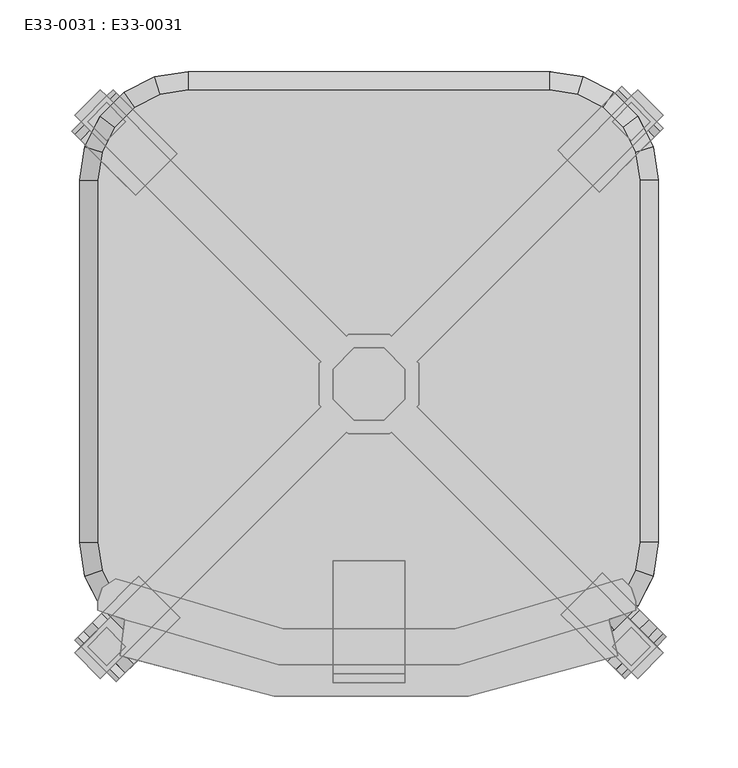
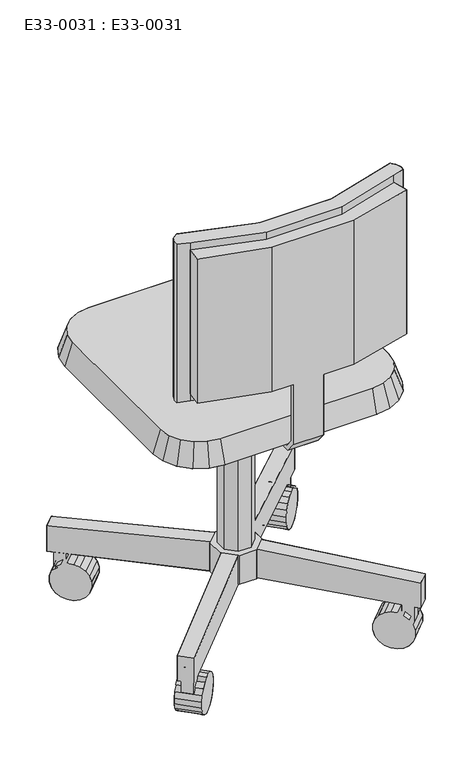
"""IFC4 building model written with IfcOpenShell, lengths in millimetres: furniture geometry, E33-0031 : E33-0031."""

from ifc_helpers import new_model, si_unit, origin, place, context, project, spatial, triangles, source, transform, mapped, element, save


def e33_0031_e33_0031_1ee9b4db(model_context):
    return source(origin(), model_context, "Body", "Tessellation", [
        triangles([(10.4864125, -25.3164598, 132.012409), (-10.4864171, -25.3164598, 132.012409), (-10.4864171, -25.3164598, 423.1516422), (10.4864125, -25.3164598, 423.1516422), (-25.316453, -10.4864239, 132.012409), (-25.316453, -10.4864239, 423.1516422), (-25.316453, 10.4864148, 132.012409), (-25.316453, 10.4864148, 423.1516422), (-10.4864171, 25.3164507, 132.012409), (-10.4864171, 25.3164507, 423.1516422), (10.4864125, 25.3164507, 132.012409), (10.4864125, 25.3164507, 423.1516422), (25.3164484, 10.4864148, 132.012409), (25.3164484, 10.4864148, 423.1516422), (25.3164484, -10.4864239, 132.012409), (25.3164484, -10.4864239, 423.1516422), (205.8665266, -187.9650961, 71.8858238), (187.9650885, -205.8665312, 71.8858238), (187.9650885, -205.8665312, 116.1896194), (205.8665266, -187.9650961, 116.1896194), (187.9650885, 205.866513, 71.8858238), (205.8665266, 187.9650984, 71.8858238), (187.9650885, 205.866513, 116.1896194), (205.8665266, 187.9650984, 116.1896194), (14.4188215, 34.81013, 81.3794985), (15.6637491, 33.5652023, 81.3794985), (14.4188215, 34.81013, 132.012409), (15.6637491, 33.5652023, 132.012409), (34.8101186, 14.4188237, 81.3794985), (34.8101186, -14.4188237, 81.3794985), (34.8101186, 14.4188237, 132.012409), (34.8101186, -14.4188237, 132.012409), (33.565191, -15.6637605, 81.3794985), (33.565191, -15.6637605, 132.012409), (15.6637491, -33.5651932, 81.3794985), (14.4188215, -34.81013, 81.3794985), (14.4188215, -34.81013, 132.012409), (15.6637491, -33.5651932, 132.012409), (33.565191, 15.6637514, 81.3794985), (33.565191, 15.6637514, 132.012409), (-205.8665334, 187.9650984, 71.8858238), (-187.9650825, 205.866513, 71.8858238), (-205.8665334, 187.9650984, 116.1896194), (-187.9650825, 205.866513, 116.1896194), (-187.9650825, -205.8665312, 71.8858238), (-205.8665334, -187.9650961, 71.8858238), (-205.8665334, -187.9650961, 116.1896194), (-187.9650825, -205.8665312, 116.1896194), (-14.418826, -34.81013, 81.3794985), (-15.6637718, -33.5651932, 81.3794985), (-15.6637718, -33.5651932, 132.012409), (-14.418826, -34.81013, 132.012409), (-34.8101322, -14.4188237, 81.3794985), (-34.8101322, 14.4188237, 81.3794985), (-34.8101322, 14.4188237, 132.012409), (-34.8101322, -14.4188237, 132.012409), (-33.5652046, 15.6637514, 81.3794985), (-33.5652046, 15.6637514, 132.012409), (-15.6637718, 33.5652023, 81.3794985), (-14.418826, 34.81013, 81.3794985), (-15.6637718, 33.5652023, 132.012409), (-14.418826, 34.81013, 132.012409), (-33.5652046, -15.6637605, 81.3794985), (-33.5652046, -15.6637605, 132.012409), (208.1042057, -176.7766973, 25.7344189), (205.9138098, -174.5863002, 16.2007133), (176.8239731, -203.6761352, 16.2007133), (179.0143695, -205.8665312, 25.7344189), (165.5410084, -134.2134988, 16.2007133), (163.3506125, -132.0231029, 25.7344189), (134.2607752, -161.1129391, 25.7344189), (136.4511711, -163.3033358, 16.2007133), (176.7766899, 208.1042034, 25.7344189), (174.5862934, 205.9138211, 16.2007133), (203.6761284, 176.8239907, 16.2007133), (205.8665266, 179.0143729, 25.7344189), (134.2134943, 165.5409948, 16.2007133), (132.0230983, 163.3506125, 25.7344189), (161.1129311, 134.260782, 25.7344189), (163.3033293, 136.4511824, 16.2007133), (160.1817084, -187.0338712, 62.3921537), (160.1817084, -187.0338712, -0.8989843), (153.0934374, -179.9456002, -0.8989843), (146.3520884, -173.2042511, 2.1987046), (166.9230575, -193.7752202, 2.1987046), (172.6575912, -199.5097517, 8.090859), (189.2715452, -157.9440364, 62.3921537), (189.2715452, -157.9440364, -0.8989843), (182.1832723, -150.8557634, -0.8989843), (175.441924, -144.1144149, 2.1987046), (169.7073908, -138.3798824, 8.090859), (163.3506125, -132.0231029, 35.7587503), (196.0128936, -164.6853846, 2.1987046), (201.7474262, -170.4199178, 8.090859), (157.9440293, 189.2715594, 62.3921537), (157.9440293, 189.2715594, -0.8989843), (150.8557561, 182.1832929, -0.8989843), (144.114407, 175.4419166, 2.1987046), (138.3798733, 169.7073829, 8.090859), (132.0230983, 163.3506125, 35.7587503), (170.4199109, 201.747433, 8.090859), (164.6853784, 196.0128993, 2.1987046), (187.0338655, 160.1817289, 62.3921537), (187.0338655, 160.1817289, -0.8989843), (179.9455925, 153.0934261, -0.8989843), (173.2042443, 146.3520861, 2.1987046), (167.4697117, 140.6175524, 8.090859), (161.1129311, 134.260782, 35.7587503), (199.5097471, 172.6576025, 8.090859), (193.7752134, 166.9230688, 2.1987046), (140.6175547, -167.469718, 8.090859), (134.2607752, -161.1129391, 35.7587503), (-176.7767029, -208.1042125, 25.7344189), (-174.5863206, -205.9138166, 16.2007133), (-205.8665334, -179.0143775, 25.7344189), (-203.6761511, -176.8239793, 16.2007133), (-134.2134943, -165.5410152, 16.2007133), (-132.023112, -163.3506187, 25.7344189), (-163.3033248, -136.4511802, 16.2007133), (-161.1129425, -134.260782, 25.7344189), (-208.1042239, 176.7766825, 25.7344189), (-205.9138053, 174.5863002, 16.2007133), (-176.8239748, 203.6761307, 16.2007133), (-179.0143934, 205.866513, 25.7344189), (-165.5410152, 134.213492, 16.2007133), (-163.3506329, 132.0230915, 25.7344189), (-134.2608024, 161.112922, 25.7344189), (-136.4511847, 163.3033406, 16.2007133), (-189.2715435, 157.9440384, 62.3921537), (-189.2715435, 157.9440384, -0.8989843), (-182.183277, 150.8557719, -0.8989843), (-175.441937, 144.1144138, 2.1987046), (-163.3506329, 132.0230915, 35.7587503), (-196.0129198, 164.6853784, 2.1987046), (-201.7474535, 170.4199121, 8.090859), (-160.181713, 187.0338689, 62.3921537), (-160.181713, 187.0338689, -0.8989843), (-153.0934465, 179.9456024, -0.8989843), (-146.3521065, 173.2042625, 2.1987046), (-140.6175728, 167.4697288, 8.090859), (-134.2608024, 161.112922, 35.7587503), (-166.9230529, 193.7752089, 2.1987046), (-172.6575866, 199.5097426, 8.090859), (-187.0338893, -160.1817161, 62.3921537), (-187.0338893, -160.1817161, -0.8989843), (-179.9455865, -153.0934431, -0.8989843), (-173.2042466, -146.3520952, 2.1987046), (-167.4697129, -140.6175615, 8.090859), (-161.1129425, -134.260782, 35.7587503), (-193.7752293, -166.9230643, 2.1987046), (-199.509763, -172.6575968, 8.090859), (-157.9440225, -189.2715525, 62.3921537), (-157.9440225, -189.2715525, -0.8989843), (-150.8557561, -182.1832793, -0.8989843), (-144.1144161, -175.4419313, 2.1987046), (-138.3798824, -169.7073977, 8.090859), (-132.023112, -163.3506187, 35.7587503), (-164.6853988, -196.0128993, 2.1987046), (-170.4199325, -201.747433, 8.090859), (-169.7074033, 138.3798801, 8.090859), (183.4897291, 170.0636475, 72.9954763), (183.4897291, 170.0636475, 60.9360244), (170.0636509, 183.4897175, 60.9360244), (170.0636509, 183.4897175, 72.9954763), (174.5862934, 205.9138211, 45.2924571), (176.7766899, 208.1042034, 35.7587503), (203.6761284, 176.8239907, 45.2924571), (205.8665266, 179.0143729, 35.7587503), (134.2134943, 165.5409948, 45.2924571), (138.3798733, 169.7073829, 53.4023136), (144.114407, 175.4419166, 59.2944639), (150.8557561, 182.1832929, 62.3921537), (196.9158068, 183.4897175, 72.2557095), (196.9158068, 183.4897175, 45.3844936), (179.9455925, 153.0934261, 62.3921537), (173.2042443, 146.3520861, 59.2944639), (-170.0636679, 183.4897175, 72.9954763), (-170.0636679, 183.4897175, 60.9360244), (-183.4897379, 170.0636475, 60.9360244), (-183.4897379, 170.0636475, 72.9954763), (-205.9138053, 174.5863002, 45.2924571), (-208.1042239, 176.7766825, 35.7587503), (-179.0143934, 205.866513, 35.7587503), (-176.8239748, 203.6761307, 45.2924571), (-140.6175728, 167.4697288, 53.4023136), (-146.3521065, 173.2042625, 59.2944639), (-153.0934465, 179.9456024, 62.3921537), (-196.915808, 183.4897175, 72.2557095), (-196.915808, 183.4897175, 45.3844936), (-136.4511847, 163.3033406, 45.2924571), (-182.183277, 150.8557719, 62.3921537), (183.4897291, 196.9158239, 72.2557095), (183.4897291, 196.9158239, 45.3844936), (173.6360959, 187.0621739, 59.2944639), (164.6853784, 196.0128993, 59.2944639), (170.4199109, 201.747433, 53.4023136), (179.3706296, 192.7967076, 53.4023136), (-183.4897379, 196.9158239, 45.3844936), (-183.4897379, 196.9158239, 72.2557095), (-173.6361243, 187.0621739, 59.2944639), (-179.370658, 192.7967076, 53.4023136), (-172.6575866, 199.5097426, 53.4023136), (-166.9230529, 193.7752089, 59.2944639), (196.9158068, -183.4897357, 72.2557095), (196.9158068, -183.4897357, 45.3844936), (183.4897291, -196.9158148, 45.3844936), (183.4897291, -196.9158148, 72.2557095), (169.7073908, -138.3798824, 53.4023136), (175.441924, -144.1144149, 59.2944639), (146.3520884, -173.2042511, 59.2944639), (140.6175547, -167.469718, 53.4023136), (173.6360959, -187.0621807, 59.2944639), (179.3706296, -192.7967144, 53.4023136), (166.9230575, -193.7752202, 59.2944639), (172.6575912, -199.5097517, 53.4023136), (187.0621747, -173.6361027, 59.2944639), (196.0128936, -164.6853846, 59.2944639), (201.7474262, -170.4199178, 53.4023136), (192.7967076, -179.3706375, 53.4023136), (136.4511711, -163.3033358, 45.2924571), (153.0934374, -179.9456002, 62.3921537), (165.5410084, -134.2134988, 45.2924571), (182.1832723, -150.8557634, 62.3921537), (183.4897291, -170.0636577, 72.9954763), (183.4897291, -170.0636577, 60.9360244), (170.0636509, -183.4897357, 72.9954763), (170.0636509, -183.4897357, 60.9360244), (187.0621747, 173.6361038, 59.2944639), (192.7967076, 179.3706375, 53.4023136), (193.7752134, 166.9230688, 59.2944639), (199.5097471, 172.6576025, 53.4023136), (167.4697117, 140.6175524, 53.4023136), (163.3033293, 136.4511824, 45.2924571), (176.8239731, -203.6761352, 45.2924571), (179.0143695, -205.8665312, 35.7587503), (205.9138098, -174.5863002, 45.2924571), (208.1042057, -176.7766973, 35.7587503), (-183.4897379, -196.9158148, 72.2557095), (-183.4897379, -196.9158148, 45.3844936), (-196.915808, -183.4897357, 45.3844936), (-196.915808, -183.4897357, 72.2557095), (-138.3798824, -169.7073977, 53.4023136), (-144.1144161, -175.4419313, 59.2944639), (-173.2042466, -146.3520952, 59.2944639), (-167.4697129, -140.6175615, 53.4023136), (-187.0621943, -173.6361027, 59.2944639), (-192.796728, -179.3706375, 53.4023136), (-199.509763, -172.6575968, 53.4023136), (-193.7752293, -166.9230643, 59.2944639), (-173.6361243, -187.0621807, 59.2944639), (-164.6853988, -196.0128993, 59.2944639), (-179.370658, -192.7967144, 53.4023136), (-170.4199325, -201.747433, 53.4023136), (-163.3033248, -136.4511802, 45.2924571), (-179.9455865, -153.0934431, 62.3921537), (-134.2134943, -165.5410152, 45.2924571), (-150.8557561, -182.1832793, 62.3921537), (-183.4897379, -170.0636577, 72.9954763), (-183.4897379, -170.0636577, 60.9360244), (-170.0636679, -183.4897357, 72.9954763), (-170.0636679, -183.4897357, 60.9360244), (-187.0621943, 173.6361038, 59.2944639), (-196.0129198, 164.6853784, 59.2944639), (-201.7474535, 170.4199121, 53.4023136), (-192.796728, 179.3706375, 53.4023136), (-169.7074033, 138.3798801, 53.4023136), (-175.441937, 144.1144138, 59.2944639), (-165.5410152, 134.213492, 45.2924571), (-205.8665334, -179.0143775, 35.7587503), (-203.6761511, -176.8239793, 45.2924571), (-176.7767029, -208.1042125, 35.7587503), (-174.5863206, -205.9138166, 45.2924571), (-63.2911518, -196.2025339, 802.8984484), (-170.8860741, -164.5569637, 802.8984484), (-63.2911518, -196.2025339, 549.7339231), (-170.8860741, -164.5569637, 549.7339231), (-174.0506339, -189.873419, 802.8984484), (-174.0506339, -189.873419, 549.7339231), (-66.4556933, -218.3544317, 802.8984484), (-66.4556933, -218.3544317, 549.7339231), (69.6202486, -218.3544317, 802.8984484), (69.6202486, -218.3544317, 549.7339231), (174.0506282, -189.873419, 802.8984484), (174.0506282, -189.873419, 549.7339231), (167.7215132, -164.5569637, 802.8984484), (167.7215132, -164.5569637, 549.7339231), (63.2911381, -196.2025339, 802.8984484), (63.2911381, -196.2025339, 549.7339231), (-60.126592, -170.8860775, 815.5566874), (-177.2151936, -136.075951, 815.5566874), (-60.126592, -170.8860775, 537.0756841), (-177.2151936, -136.075951, 537.0756841), (-186.7088728, -142.4050648, 815.5566874), (-186.7088728, -142.4050648, 537.0756841), (-189.8734326, -151.8987355, 815.5566874), (-189.8734326, -151.8987355, 537.0756841), (-189.8734326, -158.2278496, 815.5566874), (-189.8734326, -158.2278496, 537.0756841), (186.7088555, -158.2278496, 815.5566874), (186.7088555, -151.8987355, 815.5566874), (186.7088555, -151.8987355, 537.0756841), (186.7088555, -158.2278496, 537.0756841), (183.5442985, -142.4050648, 815.5566874), (183.5442985, -142.4050648, 537.0756841), (177.2151845, -136.075951, 815.5566874), (177.2151845, -136.075951, 537.0756841), (60.1265784, -170.8860775, 815.5566874), (60.1265784, -170.8860775, 537.0756841), (167.7215132, -164.5569637, 815.5566874), (167.7215132, -164.5569637, 537.0756841), (-170.8860741, -164.5569637, 815.5566874), (-170.8860741, -164.5569637, 537.0756841), (25.3164484, -202.5316466, 549.7339231), (25.3164484, -208.8607615, 549.7339231), (25.3164484, -208.8607615, 435.8098812), (25.3164484, -202.5316466, 438.974441), (-25.316453, -208.8607615, 549.7339231), (-25.316453, -202.5316466, 549.7339231), (-25.316453, -202.5316466, 438.974441), (-25.316453, -208.8607615, 435.8098812), (126.582274, -174.0506339, 461.1263228), (146.1403099, -170.9529453, 461.1263228), (150.0519193, -182.9916352, 423.1516422), (126.582274, -186.7088615, 423.1516422), (163.7838709, -161.9631023, 461.1263228), (171.2241917, -172.2038239, 423.1516422), (177.7858806, -147.9610938, 461.1263228), (188.0266019, -155.4014131, 423.1516422), (186.7757236, -130.3175338, 461.1263228), (198.8144135, -134.229141, 423.1516422), (189.8734122, -110.7594957, 461.1263228), (202.5316398, -110.7594957, 423.1516422), (189.8734122, 142.4050705, 461.1263228), (202.5316398, 142.4050705, 423.1516422), (186.7757236, 161.9630882, 461.1263228), (198.8144135, 165.8746953, 423.1516422), (177.7858806, 179.6066696, 461.1263228), (188.0266019, 187.0469858, 423.1516422), (163.7838709, 193.6086856, 461.1263228), (171.2241917, 203.8493759, 423.1516422), (146.1403099, 202.5985075, 461.1263228), (150.0519193, 214.6371986, 423.1516422), (126.582274, 205.6962109, 461.1263228), (126.582274, 218.3544135, 423.1516422), (-126.582274, 205.6962109, 461.1263228), (-146.1403099, 202.5985075, 461.1263228), (-150.051917, 214.6371986, 423.1516422), (-126.582274, 218.3544135, 423.1516422), (-163.7838914, 193.6086856, 461.1263228), (-171.2242076, 203.8493759, 423.1516422), (-177.7859073, 179.6066696, 461.1263228), (-188.0265976, 187.0469858, 423.1516422), (-186.7757292, 161.9630882, 461.1263228), (-198.8144203, 165.8746953, 423.1516422), (-189.8734326, 142.4050705, 461.1263228), (-202.5316352, 142.4050705, 423.1516422), (-189.8734326, -110.7594957, 461.1263228), (-202.5316352, -110.7594957, 423.1516422), (-186.7757292, -130.3175338, 461.1263228), (-198.8144203, -134.229141, 423.1516422), (-177.7859073, -147.9610938, 461.1263228), (-188.0265976, -155.4014131, 423.1516422), (-163.7838914, -161.9631023, 461.1263228), (-171.2242076, -172.2038239, 423.1516422), (-146.1403099, -170.9529453, 461.1263228), (-150.051917, -182.9916352, 423.1516422), (-126.582274, -174.0506339, 461.1263228), (-126.582274, -186.7088615, 423.1516422), (25.3164484, -193.0379764, 416.8225227), (25.3164484, -189.873419, 423.1516422), (-25.316453, -189.873419, 423.1516422), (-25.316453, -193.0379764, 416.8225227), (25.3164484, -123.4177234, 416.8225227), (25.3164484, -123.4177234, 423.1516422), (-25.316453, -123.4177234, 416.8225227), (-25.316453, -123.4177234, 423.1516422), (-63.2911518, -196.2025339, 537.0756841), (63.2911381, -196.2025339, 537.0756841), (-63.2911518, -196.2025339, 815.5566874), (63.2911381, -196.2025339, 815.5566874)], [[1, 3, 2], [1, 4, 3], [2, 6, 5], [2, 3, 6], [5, 8, 7], [5, 6, 8], [7, 10, 9], [7, 8, 10], [9, 12, 11], [9, 10, 12], [11, 14, 13], [11, 12, 14], [13, 16, 15], [13, 14, 16], [15, 4, 1], [15, 16, 4], [17, 19, 18], [17, 20, 19], [21, 23, 22], [22, 23, 24], [25, 27, 26], [26, 27, 28], [29, 31, 30], [30, 31, 32], [30, 34, 33], [30, 32, 34], [35, 37, 36], [35, 38, 37], [33, 34, 17], [17, 34, 20], [19, 35, 18], [19, 38, 35], [39, 40, 29], [29, 40, 31], [26, 23, 21], [26, 28, 23], [24, 39, 22], [24, 40, 39], [41, 43, 42], [42, 43, 44], [45, 47, 46], [45, 48, 47], [49, 51, 50], [49, 52, 51], [53, 55, 54], [53, 56, 55], [54, 55, 57], [57, 55, 58], [59, 61, 60], [60, 61, 62], [57, 43, 41], [57, 58, 43], [44, 59, 42], [44, 61, 59], [63, 56, 53], [63, 64, 56], [50, 48, 45], [50, 51, 48], [47, 63, 46], [47, 64, 63], [36, 52, 49], [36, 37, 52], [60, 62, 25], [25, 62, 27], [65, 67, 66], [65, 68, 67], [69, 71, 70], [69, 72, 71], [73, 75, 74], [73, 76, 75], [77, 79, 78], [77, 80, 79], [81, 83, 82], [81, 84, 83], [81, 85, 82], [81, 86, 85], [81, 67, 86], [81, 68, 67], [87, 89, 88], [87, 90, 89], [87, 91, 90], [87, 69, 91], [87, 70, 69], [87, 92, 70], [87, 93, 88], [87, 94, 93], [87, 66, 94], [87, 65, 66], [95, 97, 96], [95, 98, 97], [95, 99, 98], [95, 77, 99], [95, 78, 77], [95, 100, 78], [95, 101, 96], [96, 101, 102], [95, 74, 101], [95, 73, 74], [103, 105, 104], [103, 106, 105], [103, 107, 106], [103, 80, 107], [103, 79, 80], [103, 108, 79], [103, 109, 104], [104, 109, 110], [103, 75, 109], [103, 76, 75], [81, 111, 84], [81, 72, 111], [81, 71, 72], [81, 112, 71], [113, 115, 114], [114, 115, 116], [117, 119, 118], [118, 119, 120], [121, 123, 122], [121, 124, 123], [125, 127, 126], [125, 128, 127], [129, 131, 130], [129, 132, 131], [129, 126, 125], [129, 133, 126], [129, 134, 130], [129, 135, 134], [129, 122, 135], [129, 121, 122], [136, 138, 137], [136, 139, 138], [136, 140, 139], [136, 128, 140], [136, 127, 128], [136, 141, 127], [136, 142, 137], [136, 143, 142], [136, 123, 143], [136, 124, 123], [144, 146, 145], [144, 147, 146], [144, 148, 147], [144, 119, 148], [144, 120, 119], [144, 149, 120], [144, 150, 145], [144, 151, 150], [144, 116, 151], [144, 115, 116], [152, 154, 153], [152, 155, 154], [152, 156, 155], [152, 117, 156], [152, 118, 117], [152, 157, 118], [152, 158, 153], [152, 159, 158], [152, 114, 159], [152, 113, 114], [129, 160, 125], [129, 132, 160], [101, 110, 102], [101, 109, 110], [102, 104, 96], [102, 110, 104], [74, 109, 101], [74, 75, 109], [96, 105, 97], [96, 104, 105], [97, 106, 98], [97, 105, 106], [135, 142, 134], [135, 143, 142], [134, 137, 130], [134, 142, 137], [122, 143, 135], [122, 123, 143], [130, 138, 131], [130, 137, 138], [159, 151, 158], [158, 151, 150], [155, 147, 156], [156, 147, 148], [132, 140, 160], [132, 139, 140], [158, 150, 153], [153, 150, 145], [153, 145, 154], [154, 145, 146], [154, 146, 155], [155, 146, 147], [131, 139, 132], [131, 138, 139], [156, 148, 117], [117, 148, 119], [160, 128, 125], [160, 140, 128], [114, 116, 159], [159, 116, 151], [94, 85, 93], [94, 86, 85], [90, 111, 91], [90, 84, 111], [98, 107, 99], [98, 106, 107], [93, 82, 88], [93, 85, 82], [88, 83, 89], [88, 82, 83], [89, 84, 90], [89, 83, 84], [91, 72, 69], [91, 111, 72], [99, 80, 77], [99, 107, 80], [66, 86, 94], [66, 67, 86], [161, 163, 162], [161, 164, 163], [165, 167, 166], [166, 167, 168], [95, 169, 100], [95, 170, 169], [95, 171, 170], [95, 172, 171], [161, 174, 173], [161, 162, 174], [171, 175, 172], [171, 176, 175], [172, 103, 95], [172, 175, 103], [166, 76, 73], [166, 168, 76], [177, 179, 178], [177, 180, 179], [181, 183, 182], [181, 184, 183], [136, 186, 185], [136, 187, 186], [180, 189, 188], [180, 179, 189], [136, 190, 185], [136, 141, 190], [191, 136, 129], [191, 187, 136], [54, 41, 59], [59, 41, 42], [182, 124, 121], [182, 183, 124], [192, 174, 193], [192, 173, 174], [194, 196, 195], [194, 197, 196], [164, 193, 192], [164, 163, 193], [95, 166, 73], [95, 165, 166], [188, 198, 189], [188, 199, 198], [200, 202, 201], [200, 203, 202], [177, 198, 199], [177, 178, 198], [136, 183, 184], [136, 124, 183], [204, 206, 205], [204, 207, 206], [208, 210, 209], [208, 211, 210], [212, 214, 213], [213, 214, 215], [216, 218, 217], [216, 219, 218], [81, 220, 112], [81, 211, 220], [81, 210, 211], [81, 221, 210], [87, 222, 92], [87, 208, 222], [87, 209, 208], [87, 223, 209], [224, 205, 204], [224, 225, 205], [226, 206, 207], [226, 227, 206], [228, 230, 229], [229, 230, 231], [170, 176, 171], [170, 232, 176], [103, 233, 108], [103, 232, 233], [103, 176, 232], [103, 175, 176], [81, 234, 68], [68, 234, 235], [103, 168, 76], [103, 167, 168], [87, 236, 65], [65, 236, 237], [238, 240, 239], [238, 241, 240], [242, 244, 243], [242, 245, 244], [246, 248, 247], [246, 249, 248], [250, 252, 251], [251, 252, 253], [144, 254, 149], [144, 245, 254], [144, 244, 245], [144, 255, 244], [152, 256, 157], [152, 242, 256], [152, 243, 242], [152, 257, 243], [258, 240, 241], [258, 259, 240], [260, 239, 238], [260, 261, 239], [262, 264, 263], [262, 265, 264], [266, 186, 267], [266, 185, 186], [129, 268, 133], [129, 266, 268], [129, 267, 266], [129, 191, 267], [129, 182, 121], [129, 181, 182], [144, 269, 115], [144, 270, 269], [152, 271, 113], [152, 272, 271], [157, 254, 256], [157, 149, 254], [272, 269, 271], [272, 270, 269], [133, 190, 268], [133, 141, 190], [126, 141, 133], [126, 127, 141], [118, 149, 157], [118, 120, 149], [271, 115, 113], [271, 269, 115], [256, 245, 242], [256, 254, 245], [268, 185, 266], [268, 190, 185], [92, 220, 222], [92, 112, 220], [236, 235, 237], [236, 234, 235], [100, 233, 169], [100, 108, 233], [70, 112, 92], [70, 71, 112], [78, 79, 100], [100, 79, 108], [237, 68, 65], [237, 235, 68], [222, 211, 208], [222, 220, 211], [169, 232, 170], [169, 233, 232], [243, 255, 257], [243, 244, 255], [257, 144, 152], [257, 255, 144], [267, 187, 191], [267, 186, 187], [258, 261, 259], [258, 260, 261], [209, 221, 223], [209, 210, 221], [223, 81, 87], [223, 221, 81], [226, 225, 227], [226, 224, 225], [53, 60, 25], [53, 54, 60], [49, 30, 36], [49, 29, 30], [53, 29, 49], [53, 25, 29], [54, 53, 36], [36, 53, 49], [60, 29, 25], [60, 30, 29], [54, 30, 60], [54, 36, 30], [23, 40, 24], [23, 28, 40], [43, 61, 44], [43, 58, 61], [20, 38, 19], [20, 34, 38], [48, 64, 47], [48, 51, 64], [31, 40, 13], [32, 13, 15], [32, 31, 13], [15, 32, 34], [58, 9, 7], [58, 61, 9], [9, 62, 61], [51, 52, 2], [64, 2, 5], [64, 51, 2], [56, 5, 64], [56, 55, 5], [5, 55, 7], [55, 7, 58], [9, 27, 62], [9, 11, 27], [28, 13, 11], [28, 40, 13], [11, 28, 27], [15, 1, 34], [34, 1, 38], [52, 1, 2], [52, 37, 1], [37, 38, 1], [273, 275, 274], [274, 275, 276], [274, 276, 277], [277, 276, 278], [277, 280, 279], [277, 278, 280], [279, 282, 281], [279, 280, 282], [281, 284, 283], [281, 282, 284], [283, 286, 285], [283, 284, 286], [285, 288, 287], [285, 286, 288], [289, 291, 290], [290, 291, 292], [290, 294, 293], [290, 292, 294], [293, 296, 295], [293, 294, 296], [295, 298, 297], [295, 296, 298], [299, 301, 300], [299, 302, 301], [300, 304, 303], [300, 301, 304], [303, 304, 305], [305, 304, 306], [305, 308, 307], [305, 306, 308], [307, 308, 289], [289, 308, 291], [309, 302, 299], [309, 310, 302], [297, 312, 311], [297, 298, 312], [313, 315, 314], [313, 316, 315], [317, 319, 318], [317, 320, 319], [319, 318, 316], [316, 318, 313], [317, 315, 314], [317, 320, 315], [321, 323, 322], [321, 324, 323], [322, 326, 325], [322, 323, 326], [325, 328, 327], [325, 326, 328], [327, 328, 329], [329, 328, 330], [329, 330, 331], [331, 330, 332], [331, 334, 333], [331, 332, 334], [333, 336, 335], [333, 334, 336], [335, 338, 337], [335, 336, 338], [337, 340, 339], [337, 338, 340], [339, 340, 341], [341, 340, 342], [341, 342, 343], [343, 342, 344], [345, 347, 346], [345, 348, 347], [346, 347, 349], [349, 347, 350], [349, 352, 351], [349, 350, 352], [351, 354, 353], [351, 352, 354], [353, 356, 355], [353, 354, 356], [355, 358, 357], [355, 356, 358], [357, 360, 359], [357, 358, 360], [359, 362, 361], [359, 360, 362], [361, 364, 363], [361, 362, 364], [363, 366, 365], [363, 364, 366], [365, 368, 367], [365, 366, 368], [343, 348, 345], [343, 344, 348], [367, 324, 321], [367, 368, 324], [344, 336, 338], [344, 334, 336], [356, 352, 354], [356, 350, 352], [356, 347, 350], [356, 348, 347], [358, 334, 368], [358, 344, 334], [356, 358, 348], [348, 358, 344], [344, 340, 342], [344, 338, 340], [368, 332, 324], [368, 334, 332], [358, 362, 360], [358, 364, 362], [358, 366, 364], [358, 368, 366], [316, 369, 315], [316, 370, 369], [320, 371, 319], [320, 372, 371], [371, 316, 370], [371, 319, 316], [320, 369, 315], [320, 372, 369], [324, 326, 323], [324, 328, 326], [324, 330, 328], [324, 332, 330], [370, 373, 369], [370, 374, 373], [371, 375, 372], [371, 376, 375], [372, 373, 369], [372, 375, 373], [376, 370, 374], [376, 371, 370], [375, 374, 373], [375, 376, 374], [343, 339, 341], [343, 337, 339], [343, 335, 337], [343, 333, 335], [355, 351, 353], [355, 349, 351], [355, 346, 349], [355, 345, 346], [357, 333, 367], [357, 343, 333], [357, 343, 355], [355, 343, 345], [367, 331, 321], [367, 333, 331], [357, 365, 363], [357, 367, 365], [357, 361, 359], [357, 363, 361], [321, 325, 322], [321, 327, 325], [321, 329, 327], [321, 331, 329], [280, 278, 275], [275, 278, 276], [377, 312, 291], [291, 312, 292], [276, 377, 275], [276, 312, 377], [298, 294, 296], [298, 292, 294], [298, 312, 292], [284, 288, 286], [284, 282, 288], [378, 306, 308], [378, 310, 306], [288, 310, 286], [288, 378, 310], [302, 306, 301], [301, 306, 304], [310, 302, 306], [275, 378, 288], [275, 377, 378], [378, 291, 308], [378, 377, 291], [282, 275, 288], [282, 280, 275], [274, 379, 311], [274, 273, 379], [279, 277, 273], [273, 277, 274], [311, 289, 290], [311, 379, 289], [297, 293, 295], [297, 290, 293], [297, 311, 290], [287, 309, 380], [287, 285, 309], [283, 287, 285], [283, 281, 287], [309, 307, 305], [309, 380, 307], [299, 305, 300], [300, 305, 303], [309, 299, 305], [273, 380, 379], [273, 287, 380], [281, 273, 287], [281, 279, 273], [380, 289, 307], [380, 379, 289]], closed=False),
    ])


if __name__ == "__main__":
    model = new_model("IFC4")
    model_context = context("Model", 3, world=origin())
    ifc_project = project(units=[si_unit("LENGTHUNIT", "METRE", prefix="MILLI")], contexts=[model_context])
    site = spatial("IfcSite", under=ifc_project)
    building = spatial("IfcBuilding", under=site)
    placement = place(None, origin())
    e33_0031_e33_0031_shape = e33_0031_e33_0031_1ee9b4db(model_context)
    element("IfcFurniture", 1, ObjectType="E33-0031 : E33-0031", at=placement, inside=building, context=model_context, shape_type="MappedRepresentation", body=[
        mapped(e33_0031_e33_0031_shape, transform((0.0, 0.0, 0.0), x_axis=(1.0, 0.0, 0.0), y_axis=(0.0, 1.0, 0.0), z_axis=(0.0, 0.0, 1.0))),
    ])
    save(model, "model.ifc")
